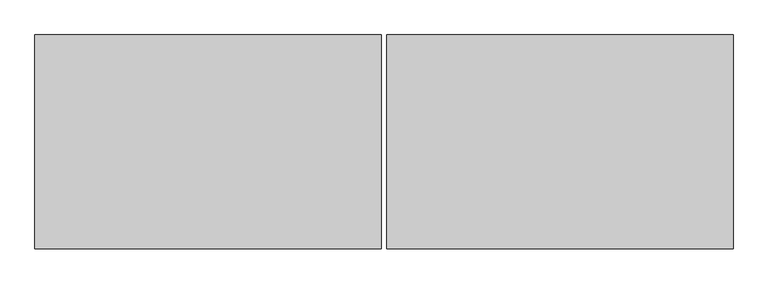
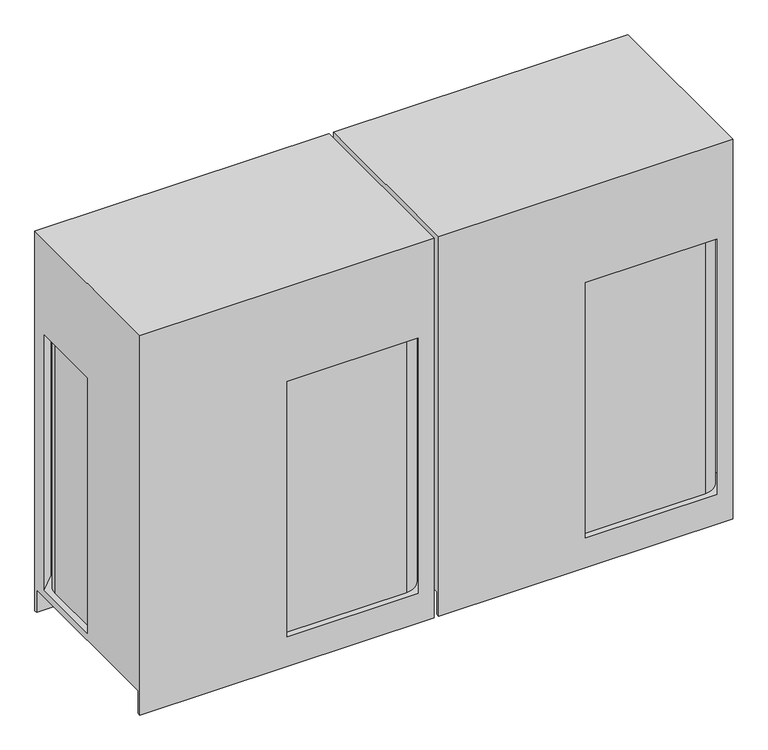
"""IFC4 building model written with IfcOpenShell, lengths in millimetres: proxy geometry."""

from ifc_helpers import new_model, si_unit, point, frame, frame_2d, origin, place, context, project, spatial, circle_curve, trimmed, segment, composite_curve, outline, extrude, source, transform, mapped, element, save
from ifc_brep_helpers import plane_surface, cylinder_surface, advanced_brep


def mechanical_equipment_5686d55d(model_context):
    return source(origin(), model_context, "Body", "SolidModel", [
        extrude(outline(composite_curve([segment(trimmed(circle_curve(frame_2d((255.5875, -277.01875)), 14.2875), [point((269.875, -277.01875))], [point((241.3, -277.01875))], False, "CARTESIAN"), True, "CONTINUOUS"), segment(trimmed(circle_curve(frame_2d((255.5875, -277.01875)), 14.2875), [point((241.3, -277.01875))], [point((269.875, -277.01875))], False, "CARTESIAN"), True, "CONTINUOUS")], self_intersect=False)), frame((0.0, 0.0, 203.2), z_axis=(0.0, 0.0, 1.0), x_axis=(1.0, 0.0, 0.0)), (0.0, 0.0, 1.0), 6.35),
        extrude(outline(composite_curve([segment(trimmed(circle_curve(frame_2d((169.8625, -277.01875)), 17.4625), [point((152.4, -277.01875))], [point((187.325, -277.01875))], False, "CARTESIAN"), True, "CONTINUOUS"), segment(trimmed(circle_curve(frame_2d((169.8625, -277.01875)), 17.4625), [point((187.325, -277.01875))], [point((152.4, -277.01875))], False, "CARTESIAN"), True, "CONTINUOUS")], self_intersect=False)), frame((0.0, 0.0, 190.5), z_axis=(0.0, 0.0, 1.0), x_axis=(1.0, 0.0, 0.0)), (0.0, 0.0, 1.0), 6.35),
        extrude(outline(composite_curve([segment(trimmed(circle_curve(frame_2d((111.125, -311.94375)), 9.525), [point((101.6, -311.94375))], [point((120.65, -311.94375))], False, "CARTESIAN"), True, "CONTINUOUS"), segment(trimmed(circle_curve(frame_2d((111.125, -311.94375)), 9.525), [point((120.65, -311.94375))], [point((101.6, -311.94375))], False, "CARTESIAN"), True, "CONTINUOUS")], self_intersect=False)), frame((0.0, 0.0, 307.975), z_axis=(0.0, 0.0, 1.0), x_axis=(1.0, 0.0, 0.0)), (0.0, 0.0, 1.0), 6.35),
        advanced_brep(
        [(1250.95, -383.38125, 0.0), (9.525, -383.38125, 0.0), (9.525, -370.68125, 0.0), (1250.95, -370.68125, 0.0), (9.525, 383.38125, 0.0), (1250.95, 383.38125, 0.0), (1250.95, 370.68125, 0.0), (9.525, 370.68125, 0.0), (1250.95, 383.38125, 1693.8625), (9.525, 383.38125, 1693.8625), (9.525, -383.38125, 1693.8625), (1250.95, -383.38125, 1693.8625), (1250.95, -370.68125, 101.6), (1250.95, 370.68125, 101.6), (1250.95, 316.70625, 131.7752), (1250.95, -316.70625, 131.7752), (1250.95, -316.70625, 1270.396875), (1250.95, 316.70625, 1270.396875), (1184.275, -383.38125, 131.7752), (630.2248, -383.38125, 131.7752), (630.2248, -383.38125, 1270.396875), (1184.275, -383.38125, 1270.396875), (9.525, 370.68125, 101.6), (9.525, -370.68125, 101.6), (9.525, 0.0, 131.7752), (9.525, 316.70625, 131.7752), (9.525, 316.70625, 1270.396875), (9.525, 0.0, 1270.396875), (76.2, 383.38125, 131.7752), (1184.275, 383.38125, 131.7752), (1184.275, 383.38125, 1270.396875), (76.2, 383.38125, 1270.396875), (34.925, 0.0, 131.7752), (34.925, 281.78125, 131.7752), (111.125, 357.98125, 131.7752), (1149.35, 357.98125, 131.7752), (1225.55, 281.78125, 131.7752), (1225.55, -281.78125, 131.7752), (1149.35, -357.98125, 131.7752), (630.2248, -357.98125, 131.7752), (630.2248, -357.98125, 1270.396875), (1149.35, -357.98125, 1270.396875), (1225.55, -281.78125, 1270.396875), (1225.55, 281.78125, 1270.396875), (1149.35, 357.98125, 1270.396875), (111.125, 357.98125, 1270.396875), (34.925, 281.78125, 1270.396875), (34.925, 0.0, 1270.396875)],
        [
            (0, 1),
            (1, 2),
            (2, 3),
            (3, 0),
            (4, 5),
            (5, 6),
            (6, 7),
            (7, 4),
            (8, 9),
            (9, 10),
            (10, 11),
            (11, 8),
            (11, 0),
            (3, 12),
            (12, 13),
            (13, 6),
            (5, 8),
            (14, 15),
            (15, 16),
            (16, 17),
            (17, 14),
            (10, 1),
            (18, 19),
            (19, 20),
            (20, 21),
            (21, 18),
            (9, 4),
            (7, 22),
            (22, 23),
            (23, 2),
            (24, 25),
            (25, 26),
            (26, 27),
            (27, 24),
            (28, 29),
            (29, 30),
            (30, 31),
            (31, 28),
            (22, 13),
            (12, 23),
            (28, 25),
            (24, 32),
            (32, 33),
            (33, 34, circle_curve(frame((111.125, 281.78125, 131.7752), z_axis=(0.0, 0.0, -1.0), x_axis=(1.0, 0.0, 0.0)), 76.2)),
            (34, 35),
            (35, 36, circle_curve(frame((1149.35, 281.78125, 131.7752), z_axis=(0.0, 0.0, -1.0), x_axis=(1.0, 0.0, 0.0)), 76.2)),
            (36, 37),
            (37, 38, circle_curve(frame((1149.35, -281.78125, 131.7752), z_axis=(0.0, 0.0, -1.0), x_axis=(1.0, 0.0, 0.0)), 76.2)),
            (38, 39),
            (39, 19),
            (18, 15),
            (14, 29),
            (30, 17),
            (16, 21),
            (20, 40),
            (40, 41),
            (41, 42, circle_curve(frame((1149.35, -281.78125, 1270.396875), z_axis=(0.0, 0.0, 1.0), x_axis=(1.0, 0.0, 0.0)), 76.2)),
            (42, 43),
            (43, 44, circle_curve(frame((1149.35, 281.78125, 1270.396875), z_axis=(0.0, 0.0, 1.0), x_axis=(1.0, 0.0, 0.0)), 76.2)),
            (44, 45),
            (45, 46, circle_curve(frame((111.125, 281.78125, 1270.396875), z_axis=(0.0, 0.0, 1.0), x_axis=(1.0, 0.0, 0.0)), 76.2)),
            (46, 47),
            (47, 27),
            (26, 31),
            (39, 40),
            (38, 41),
            (37, 42),
            (36, 43),
            (35, 44),
            (34, 45),
            (33, 46),
            (32, 47),
        ],
        [
            plane_surface(frame((630.2375, 21.6296875, 0.0), z_axis=(0.0, 0.0, -1.0), x_axis=(0.0, 1.0, 0.0))),
            plane_surface(frame((630.2375, 21.6296875, 1693.8625), z_axis=(0.0, 0.0, 1.0), x_axis=(0.0, 1.0, 0.0))),
            plane_surface(frame((1250.95, 383.38125, 0.0), z_axis=(1.0, 0.0, 0.0), x_axis=(0.0, 0.0, 1.0))),
            plane_surface(frame((1250.95, -383.38125, 0.0), z_axis=(0.0, -1.0, 0.0), x_axis=(0.0, 0.0, 1.0))),
            plane_surface(frame((9.525, -383.38125, 0.0), z_axis=(-1.0, 0.0, 0.0), x_axis=(0.0, 0.0, 1.0))),
            plane_surface(frame((9.525, 383.38125, 0.0), z_axis=(0.0, 1.0, 0.0), x_axis=(0.0, 0.0, 1.0))),
            plane_surface(frame((9.525, -370.68125, 101.6), z_axis=(0.0, 0.0, -1.0), x_axis=(1.0, 0.0, 0.0))),
            plane_surface(frame((9.525, 370.68125, 101.6), z_axis=(0.0, -1.0, 0.0), x_axis=(1.0, 0.0, 0.0))),
            plane_surface(frame((9.525, -370.68125, 0.0), z_axis=(0.0, 1.0, 0.0), x_axis=(1.0, 0.0, 0.0))),
            plane_surface(frame((630.2375, 1.8658473, 131.7752), z_axis=(0.0, 0.0, 1.0), x_axis=(0.0, 1.0, 0.0))),
            plane_surface(frame((630.2375, 1.8658473, 1270.396875), z_axis=(0.0, 0.0, -1.0), x_axis=(0.0, 1.0, 0.0))),
            plane_surface(frame((630.2248, -383.38125, 131.7752), z_axis=(1.0, 0.0, 0.0), x_axis=(0.0, 0.0, 1.0))),
            plane_surface(frame((630.2248, -357.98125, 131.7752), z_axis=(0.0, -1.0, 0.0), x_axis=(0.0, 0.0, 1.0))),
            cylinder_surface(frame((1149.35, -281.78125, 131.7752), z_axis=(0.0, 0.0, 1.0), x_axis=(1.0, 0.0, 0.0)), 76.2),
            plane_surface(frame((1225.55, -281.78125, 131.7752), z_axis=(1.0, 0.0, 0.0), x_axis=(0.0, 0.0, 1.0))),
            cylinder_surface(frame((1149.35, 281.78125, 131.7752), z_axis=(0.0, 0.0, 1.0), x_axis=(1.0, 0.0, 0.0)), 76.2),
            plane_surface(frame((1149.35, 357.98125, 131.7752), z_axis=(0.0, 1.0, 0.0), x_axis=(0.0, 0.0, 1.0))),
            cylinder_surface(frame((111.125, 281.78125, 131.7752), z_axis=(0.0, 0.0, 1.0), x_axis=(1.0, 0.0, 0.0)), 76.2),
            plane_surface(frame((34.925, 281.78125, 131.7752), z_axis=(-1.0, 0.0, 0.0), x_axis=(0.0, 0.0, 1.0))),
            plane_surface(frame((34.925, 0.0, 131.7752), z_axis=(0.0, 1.0, 0.0), x_axis=(0.0, 0.0, 1.0))),
            plane_surface(frame((1184.275, 383.38125, 131.7752), z_axis=(-0.7071067811865517, -0.7071067811865435, 0.0), x_axis=(0.0, 0.0, 1.0))),
            plane_surface(frame((1250.95, -316.70625, 131.7752), z_axis=(-0.7071067811865445, 0.7071067811865506, 0.0), x_axis=(0.0, 0.0, 1.0))),
            plane_surface(frame((9.525, 316.70625, 131.7752), z_axis=(0.7071067811865445, -0.7071067811865506, 0.0), x_axis=(0.0, 0.0, 1.0))),
        ],
        [
            (0, [[1, 2, 3, 4]]),
            (0, [[5, 6, 7, 8]]),
            (1, [[9, 10, 11, 12]]),
            (2, [[-12, 13, -4, 14, 15, 16, -6, 17], [18, 19, 20, 21]]),
            (3, [[-1, -13, -11, 22], [23, 24, 25, 26]]),
            (4, [[-10, 27, -8, 28, 29, 30, -2, -22], [31, 32, 33, 34]]),
            (5, [[-5, -27, -9, -17], [35, 36, 37, 38]]),
            (6, [[39, -15, 40, -29]]),
            (7, [[-39, -28, -7, -16]]),
            (8, [[-40, -14, -3, -30]]),
            (9, [[41, -31, 42, 43, 44, 45, 46, 47, 48, 49, 50, -23, 51, -18, 52, -35]]),
            (10, [[53, -20, 54, -25, 55, 56, 57, 58, 59, 60, 61, 62, 63, -33, 64, -37]]),
            (11, [[-50, 65, -55, -24]]),
            (12, [[-49, 66, -56, -65]]),
            (13, [[-48, 67, -57, -66]]),
            (14, [[-47, 68, -58, -67]]),
            (15, [[-46, 69, -59, -68]]),
            (16, [[-45, 70, -60, -69]]),
            (17, [[-44, 71, -61, -70]]),
            (18, [[-43, 72, -62, -71]]),
            (19, [[-42, -34, -63, -72]]),
            (20, [[-52, -21, -53, -36]]),
            (21, [[-51, -26, -54, -19]]),
            (22, [[-41, -38, -64, -32]]),
        ],
    ),
        extrude(outline(composite_curve([segment(trimmed(circle_curve(frame_2d((-1004.8875, -277.01875)), 14.2875), [point((-990.6, -277.01875))], [point((-1019.175, -277.01875))], False, "CARTESIAN"), True, "CONTINUOUS"), segment(trimmed(circle_curve(frame_2d((-1004.8875, -277.01875)), 14.2875), [point((-1019.175, -277.01875))], [point((-990.6, -277.01875))], False, "CARTESIAN"), True, "CONTINUOUS")], self_intersect=False)), frame((0.0, 0.0, 203.2), z_axis=(0.0, 0.0, 1.0), x_axis=(1.0, 0.0, 0.0)), (0.0, 0.0, 1.0), 6.35),
        extrude(outline(composite_curve([segment(trimmed(circle_curve(frame_2d((-1090.6125, -277.01875)), 17.4625), [point((-1108.075, -277.01875))], [point((-1073.15, -277.01875))], False, "CARTESIAN"), True, "CONTINUOUS"), segment(trimmed(circle_curve(frame_2d((-1090.6125, -277.01875)), 17.4625), [point((-1073.15, -277.01875))], [point((-1108.075, -277.01875))], False, "CARTESIAN"), True, "CONTINUOUS")], self_intersect=False)), frame((0.0, 0.0, 190.5), z_axis=(0.0, 0.0, 1.0), x_axis=(1.0, 0.0, 0.0)), (0.0, 0.0, 1.0), 6.35),
        extrude(outline(composite_curve([segment(trimmed(circle_curve(frame_2d((-1149.35, -311.94375)), 9.525), [point((-1158.875, -311.94375))], [point((-1139.825, -311.94375))], False, "CARTESIAN"), True, "CONTINUOUS"), segment(trimmed(circle_curve(frame_2d((-1149.35, -311.94375)), 9.525), [point((-1139.825, -311.94375))], [point((-1158.875, -311.94375))], False, "CARTESIAN"), True, "CONTINUOUS")], self_intersect=False)), frame((0.0, 0.0, 307.975), z_axis=(0.0, 0.0, 1.0), x_axis=(1.0, 0.0, 0.0)), (0.0, 0.0, 1.0), 6.35),
        advanced_brep(
        [(-9.525, -383.38125, 0.0), (-1250.95, -383.38125, 0.0), (-1250.95, -370.68125, 0.0), (-9.525, -370.68125, 0.0), (-1250.95, 383.38125, 0.0), (-9.525, 383.38125, 0.0), (-9.525, 370.68125, 0.0), (-1250.95, 370.68125, 0.0), (-9.525, 383.38125, 1693.8625), (-1250.95, 383.38125, 1693.8625), (-1250.95, -383.38125, 1693.8625), (-9.525, -383.38125, 1693.8625), (-9.525, -370.68125, 101.6), (-9.525, 370.68125, 101.6), (-9.525, 316.70625, 131.7752), (-9.525, -316.70625, 131.7752), (-9.525, -316.70625, 1270.396875), (-9.525, 316.70625, 1270.396875), (-76.2, -383.38125, 131.7752), (-630.2502, -383.38125, 131.7752), (-630.2502, -383.38125, 1270.396875), (-76.2, -383.38125, 1270.396875), (-1250.95, 370.68125, 101.6), (-1250.95, -370.68125, 101.6), (-1250.95, 0.0, 131.7752), (-1250.95, 316.70625, 131.7752), (-1250.95, 316.70625, 1270.396875), (-1250.95, 0.0, 1270.396875), (-1184.275, 383.38125, 131.7752), (-76.2, 383.38125, 131.7752), (-76.2, 383.38125, 1270.396875), (-1184.275, 383.38125, 1270.396875), (-1225.55, 0.0, 131.7752), (-1225.55, 281.78125, 131.7752), (-1149.35, 357.98125, 131.7752), (-111.125, 357.98125, 131.7752), (-34.925, 281.78125, 131.7752), (-34.925, -281.78125, 131.7752), (-111.125, -357.98125, 131.7752), (-630.2502, -357.98125, 131.7752), (-630.2502, -357.98125, 1270.396875), (-111.125, -357.98125, 1270.396875), (-34.925, -281.78125, 1270.396875), (-34.925, 281.78125, 1270.396875), (-111.125, 357.98125, 1270.396875), (-1149.35, 357.98125, 1270.396875), (-1225.55, 281.78125, 1270.396875), (-1225.55, 0.0, 1270.396875)],
        [
            (0, 1),
            (1, 2),
            (2, 3),
            (3, 0),
            (4, 5),
            (5, 6),
            (6, 7),
            (7, 4),
            (8, 9),
            (9, 10),
            (10, 11),
            (11, 8),
            (11, 0),
            (3, 12),
            (12, 13),
            (13, 6),
            (5, 8),
            (14, 15),
            (15, 16),
            (16, 17),
            (17, 14),
            (10, 1),
            (18, 19),
            (19, 20),
            (20, 21),
            (21, 18),
            (9, 4),
            (7, 22),
            (22, 23),
            (23, 2),
            (24, 25),
            (25, 26),
            (26, 27),
            (27, 24),
            (28, 29),
            (29, 30),
            (30, 31),
            (31, 28),
            (22, 13),
            (12, 23),
            (28, 25),
            (24, 32),
            (32, 33),
            (33, 34, circle_curve(frame((-1149.35, 281.78125, 131.7752), z_axis=(0.0, 0.0, -1.0), x_axis=(1.0, 0.0, 0.0)), 76.2)),
            (34, 35),
            (35, 36, circle_curve(frame((-111.125, 281.78125, 131.7752), z_axis=(0.0, 0.0, -1.0), x_axis=(1.0, 0.0, 0.0)), 76.2)),
            (36, 37),
            (37, 38, circle_curve(frame((-111.125, -281.78125, 131.7752), z_axis=(0.0, 0.0, -1.0), x_axis=(1.0, 0.0, 0.0)), 76.2)),
            (38, 39),
            (39, 19),
            (18, 15),
            (14, 29),
            (30, 17),
            (16, 21),
            (20, 40),
            (40, 41),
            (41, 42, circle_curve(frame((-111.125, -281.78125, 1270.396875), z_axis=(0.0, 0.0, 1.0), x_axis=(1.0, 0.0, 0.0)), 76.2)),
            (42, 43),
            (43, 44, circle_curve(frame((-111.125, 281.78125, 1270.396875), z_axis=(0.0, 0.0, 1.0), x_axis=(1.0, 0.0, 0.0)), 76.2)),
            (44, 45),
            (45, 46, circle_curve(frame((-1149.35, 281.78125, 1270.396875), z_axis=(0.0, 0.0, 1.0), x_axis=(1.0, 0.0, 0.0)), 76.2)),
            (46, 47),
            (47, 27),
            (26, 31),
            (39, 40),
            (38, 41),
            (37, 42),
            (36, 43),
            (35, 44),
            (34, 45),
            (33, 46),
            (32, 47),
        ],
        [
            plane_surface(frame((-630.2375, 21.6296875, 0.0), z_axis=(0.0, 0.0, -1.0), x_axis=(0.0, 1.0, 0.0))),
            plane_surface(frame((-630.2375, 21.6296875, 1693.8625), z_axis=(0.0, 0.0, 1.0), x_axis=(0.0, 1.0, 0.0))),
            plane_surface(frame((-9.525, 383.38125, 0.0), z_axis=(1.0, 0.0, 0.0), x_axis=(0.0, 0.0, 1.0))),
            plane_surface(frame((-9.525, -383.38125, 0.0), z_axis=(0.0, -1.0, 0.0), x_axis=(0.0, 0.0, 1.0))),
            plane_surface(frame((-1250.95, -383.38125, 0.0), z_axis=(-1.0, 0.0, 0.0), x_axis=(0.0, 0.0, 1.0))),
            plane_surface(frame((-1250.95, 383.38125, 0.0), z_axis=(0.0, 1.0, 0.0), x_axis=(0.0, 0.0, 1.0))),
            plane_surface(frame((-1250.95, -370.68125, 101.6), z_axis=(0.0, 0.0, -1.0), x_axis=(1.0, 0.0, 0.0))),
            plane_surface(frame((-1250.95, 370.68125, 101.6), z_axis=(0.0, -1.0, 0.0), x_axis=(1.0, 0.0, 0.0))),
            plane_surface(frame((-1250.95, -370.68125, 0.0), z_axis=(0.0, 1.0, 0.0), x_axis=(1.0, 0.0, 0.0))),
            plane_surface(frame((-630.2375, 1.8658473, 131.7752), z_axis=(0.0, 0.0, 1.0), x_axis=(0.0, 1.0, 0.0))),
            plane_surface(frame((-630.2375, 1.8658473, 1270.396875), z_axis=(0.0, 0.0, -1.0), x_axis=(0.0, 1.0, 0.0))),
            plane_surface(frame((-630.2502, -383.38125, 131.7752), z_axis=(1.0, 0.0, 0.0), x_axis=(0.0, 0.0, 1.0))),
            plane_surface(frame((-630.2502, -357.98125, 131.7752), z_axis=(0.0, -1.0, 0.0), x_axis=(0.0, 0.0, 1.0))),
            cylinder_surface(frame((-111.125, -281.78125, 131.7752), z_axis=(0.0, 0.0, 1.0), x_axis=(1.0, 0.0, 0.0)), 76.2),
            plane_surface(frame((-34.925, -281.78125, 131.7752), z_axis=(1.0, 0.0, 0.0), x_axis=(0.0, 0.0, 1.0))),
            cylinder_surface(frame((-111.125, 281.78125, 131.7752), z_axis=(0.0, 0.0, 1.0), x_axis=(1.0, 0.0, 0.0)), 76.2),
            plane_surface(frame((-111.125, 357.98125, 131.7752), z_axis=(0.0, 1.0, 0.0), x_axis=(0.0, 0.0, 1.0))),
            cylinder_surface(frame((-1149.35, 281.78125, 131.7752), z_axis=(0.0, 0.0, 1.0), x_axis=(1.0, 0.0, 0.0)), 76.2),
            plane_surface(frame((-1225.55, 281.78125, 131.7752), z_axis=(-1.0, 0.0, 0.0), x_axis=(0.0, 0.0, 1.0))),
            plane_surface(frame((-1225.55, 0.0, 131.7752), z_axis=(0.0, 1.0, 0.0), x_axis=(0.0, 0.0, 1.0))),
            plane_surface(frame((-76.2, 383.38125, 131.7752), z_axis=(-0.7071067811865517, -0.7071067811865435, 0.0), x_axis=(0.0, 0.0, 1.0))),
            plane_surface(frame((-9.525, -316.70625, 131.7752), z_axis=(-0.7071067811865445, 0.7071067811865506, 0.0), x_axis=(0.0, 0.0, 1.0))),
            plane_surface(frame((-1250.95, 316.70625, 131.7752), z_axis=(0.7071067811865445, -0.7071067811865506, 0.0), x_axis=(0.0, 0.0, 1.0))),
        ],
        [
            (0, [[1, 2, 3, 4]]),
            (0, [[5, 6, 7, 8]]),
            (1, [[9, 10, 11, 12]]),
            (2, [[-12, 13, -4, 14, 15, 16, -6, 17], [18, 19, 20, 21]]),
            (3, [[-1, -13, -11, 22], [23, 24, 25, 26]]),
            (4, [[-10, 27, -8, 28, 29, 30, -2, -22], [31, 32, 33, 34]]),
            (5, [[-5, -27, -9, -17], [35, 36, 37, 38]]),
            (6, [[39, -15, 40, -29]]),
            (7, [[-39, -28, -7, -16]]),
            (8, [[-40, -14, -3, -30]]),
            (9, [[41, -31, 42, 43, 44, 45, 46, 47, 48, 49, 50, -23, 51, -18, 52, -35]]),
            (10, [[53, -20, 54, -25, 55, 56, 57, 58, 59, 60, 61, 62, 63, -33, 64, -37]]),
            (11, [[-50, 65, -55, -24]]),
            (12, [[-49, 66, -56, -65]]),
            (13, [[-48, 67, -57, -66]]),
            (14, [[-47, 68, -58, -67]]),
            (15, [[-46, 69, -59, -68]]),
            (16, [[-45, 70, -60, -69]]),
            (17, [[-44, 71, -61, -70]]),
            (18, [[-43, 72, -62, -71]]),
            (19, [[-42, -34, -63, -72]]),
            (20, [[-52, -21, -53, -36]]),
            (21, [[-51, -26, -54, -19]]),
            (22, [[-41, -38, -64, -32]]),
        ],
    ),
    ])


if __name__ == "__main__":
    model = new_model("IFC4")
    model_context = context("Model", 3, world=origin())
    ifc_project = project(units=[si_unit("LENGTHUNIT", "METRE", prefix="MILLI")], contexts=[model_context])
    site = spatial("IfcSite", under=ifc_project)
    building = spatial("IfcBuilding", under=site)
    placement = place(None, origin())
    mechanical_equipment_shape = mechanical_equipment_5686d55d(model_context)
    element("IfcBuildingElementProxy", 1, Name="Mechanical Equipment", at=placement, inside=building, context=model_context, shape_type="MappedRepresentation", body=[
        mapped(mechanical_equipment_shape, transform((0.0, 0.0, 0.0), x_axis=(1.0, 0.0, 0.0), y_axis=(0.0, 1.0, 0.0), z_axis=(0.0, 0.0, 1.0))),
    ])
    save(model, "model.ifc")
